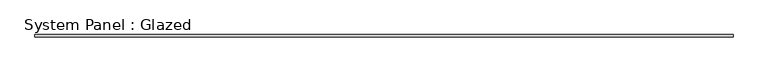
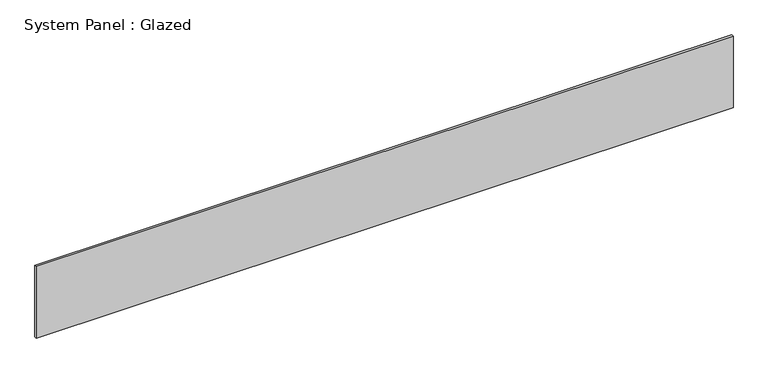
"""IFC4 building model written with IfcOpenShell, lengths in millimetres: plate geometry, System Panel : Glazed."""

from ifc_helpers import new_model, si_unit, origin, origin_with_axes, place, context, project, spatial, polyline, outline, extrude, source, transform, mapped, element, save


def system_panel_glazed_3c306341(model_context):
    return source(origin(), model_context, "Body", "SweptSolid", [
        extrude(outline(polyline([(3975.1, 19.05), (-3975.1, 19.05), (-3975.1, 44.45), (3975.1, 44.45), (3975.1, 19.05)])), origin_with_axes(), (0.0, 0.0, 1.0), 863.6),
    ])


if __name__ == "__main__":
    model = new_model("IFC4")
    model_context = context("Model", 3, world=origin())
    ifc_project = project(units=[si_unit("LENGTHUNIT", "METRE", prefix="MILLI")], contexts=[model_context])
    site = spatial("IfcSite", under=ifc_project)
    building = spatial("IfcBuilding", under=site)
    placement = place(None, origin())
    system_panel_glazed_shape = system_panel_glazed_3c306341(model_context)
    element("IfcPlate", 1, ObjectType="System Panel : Glazed", at=placement, inside=building, context=model_context, shape_type="MappedRepresentation", body=[
        mapped(system_panel_glazed_shape, transform((0.0, 0.0, 0.0), x_axis=(1.0, 0.0, 0.0), y_axis=(0.0, 1.0, 0.0), z_axis=(0.0, 0.0, 1.0))),
    ])
    save(model, "model.ifc")
